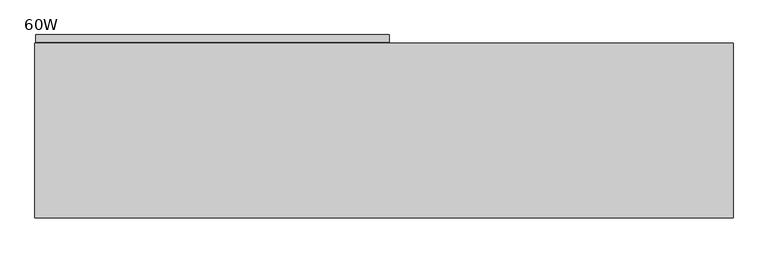
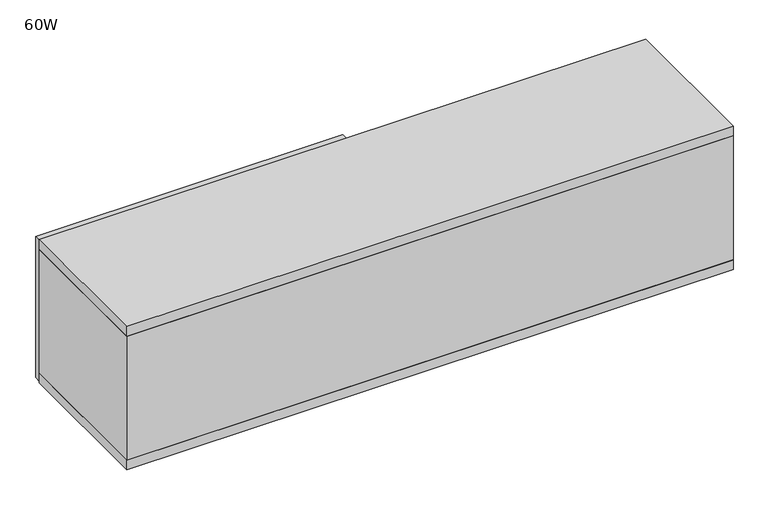
"""IFC4 building model written with IfcOpenShell, lengths in millimetres: furniture geometry, 60W."""

from ifc_helpers import new_model, si_unit, frame, origin, place, context, project, spatial, polyline, outline, extrude, faceted_brep, source, transform, mapped, element, save


def furniture_60w_b835980c(model_context):
    return source(origin(), model_context, "Body", "SolidModel", [
        extrude(outline(polyline([(1522.984, 0.0), (0.0, 0.0), (0.0, 381.0000794), (1522.984, 381.0000794), (1522.984, 0.0)])), frame((0.0, 0.0, 998.22), z_axis=(0.0, 0.0, 1.0), x_axis=(1.0, 0.0, 0.0)), (0.0, 0.0, 1.0), 25.3492008),
        extrude(outline(polyline([(773.3979865, 383.4999564), (1.5010712, 383.4999564), (1.5010712, 399.542), (773.3979865, 399.542), (773.3979865, 383.4999564)])), frame((0.0, 0.0, 1001.2172008), z_axis=(0.0, 0.0, 1.0), x_axis=(1.0, 0.0, 0.0)), (0.0, 0.0, 1.0), 375.0055984),
        faceted_brep([(774.7506868, 20.1675917, 1353.82), (749.0270632, 20.1675917, 1353.82), (749.0270632, 20.1675917, 1023.5692008), (20.1673737, 20.1675917, 1023.5692008), (20.1673737, 20.1675917, 998.22), (1502.8166263, 20.1675917, 998.22), (1502.8166263, 20.1675917, 1023.5692008), (774.7506868, 20.1675917, 1023.5692008), (749.0270632, 377.3677721, 1353.82), (749.0270632, 381.000112, 1353.82), (749.0270632, 381.000112, 1023.5692008), (749.0270632, 377.3677721, 1023.5692008), (0.0, 381.000112, 1353.82), (0.0, 381.000112, 1379.22), (1522.984, 381.000112, 1379.22), (1522.984, 381.000112, 1353.82), (774.7506868, 381.000112, 1353.82), (774.7506868, 381.000112, 1023.5692008), (1502.8166263, 381.000112, 1023.5692008), (1502.8166263, 381.000112, 998.22), (20.1673737, 381.000112, 998.22), (20.1673737, 381.000112, 1023.5692008), (774.7506868, 377.3677721, 1023.5692008), (774.7506868, 377.3677721, 1353.82), (1522.984, 0.0, 1379.22), (0.0, 0.0, 1379.22), (1522.984, 0.0, 1353.82), (0.0, 0.0, 1353.82)], [[[0, 1, 2, 3, 4, 5, 6, 7]], [[1, 8, 9, 10, 11, 2]], [[9, 12, 13, 14, 15, 16, 17, 18, 19, 20, 21, 10]], [[7, 22, 17, 16, 23, 0]], [[3, 2, 11, 10, 21]], [[18, 17, 22, 7, 6]], [[5, 4, 20, 19]], [[21, 20, 4, 3]], [[6, 5, 19, 18]], [[24, 14, 13, 25]], [[26, 27, 12, 9, 8, 1, 0, 23, 16, 15]], [[25, 27, 26, 24]], [[13, 12, 27, 25]], [[24, 26, 15, 14]]]),
        extrude(outline(polyline([(0.0, 0.0), (0.0, 381.000112), (20.1673737, 381.000112), (20.1673737, 20.1675917), (1502.8166263, 20.1675917), (1502.8166263, 381.0000794), (1522.984, 381.0000794), (1522.984, 0.0), (0.0, 0.0)])), frame((0.0, 0.0, 1023.5692008), z_axis=(0.0, 0.0, 1.0), x_axis=(1.0, 0.0, 0.0)), (0.0, 0.0, 1.0), 330.2507992),
    ])


if __name__ == "__main__":
    model = new_model("IFC4")
    model_context = context("Model", 3, world=origin())
    ifc_project = project(units=[si_unit("LENGTHUNIT", "METRE", prefix="MILLI")], contexts=[model_context])
    site = spatial("IfcSite", under=ifc_project)
    building = spatial("IfcBuilding", under=site)
    placement = place(None, origin())
    furniture_60w_shape = furniture_60w_b835980c(model_context)
    element("IfcFurniture", 1, ObjectType="60W", at=placement, inside=building, context=model_context, shape_type="MappedRepresentation", body=[
        mapped(furniture_60w_shape, transform((0.0, 0.0, 0.0), x_axis=(1.0, 0.0, 0.0), y_axis=(0.0, 1.0, 0.0), z_axis=(0.0, 0.0, 1.0))),
    ])
    save(model, "model.ifc")
